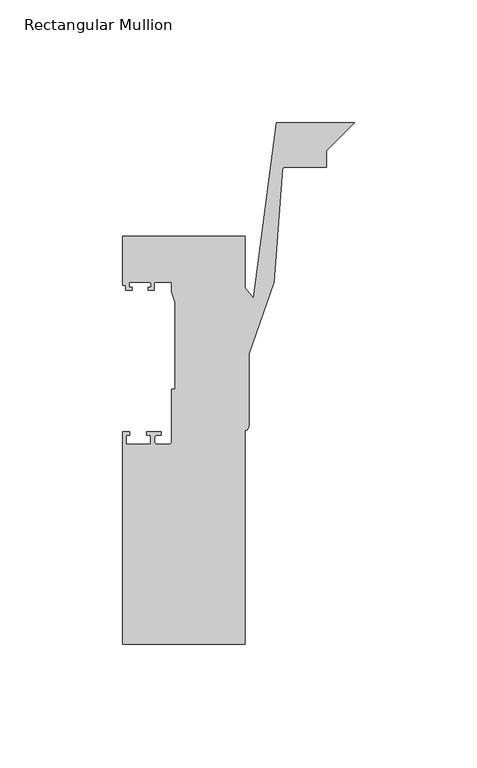
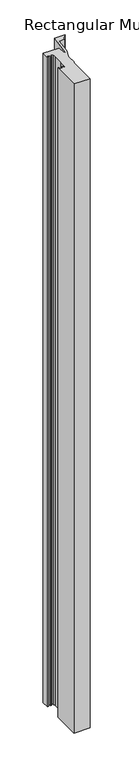
"""IFC4 building model written with IfcOpenShell, lengths in millimetres: member geometry, Rectangular Mullion."""

from ifc_helpers import new_model, si_unit, point, frame, frame_2d, origin, place, context, project, spatial, polyline, circle_curve, trimmed, segment, composite_curve, outline, extrude, source, transform, mapped, element, save


def rectangular_mullion_05a17a6f(model_context):
    return source(origin(), model_context, "Body", "SweptSolid", [
        extrude(outline(composite_curve([segment(polyline([(-94.5062525, -74.0), (-94.5062525, 12.5), (-91.7062525, 12.5), (-91.7062525, 11.2), (-93.0062525, 11.2), (-93.0062525, 7.5), (-83.0062525, 7.5), (-83.0062525, 11.2), (-84.7062525, 11.2), (-84.7062525, 12.5), (-78.9062525, 12.5), (-78.9062525, 11.2), (-80.5062525, 11.2)]), True, "CONTINUOUS"), segment(trimmed(circle_curve(frame_2d((-80.5062525, 10.2)), 1.0), [point((-80.5062525, 11.2))], [point((-81.5062525, 10.2))], True, "CARTESIAN"), True, "CONTINUOUS"), segment(polyline([(-81.5062525, 10.2), (-81.5062525, 8.5)]), True, "CONTINUOUS"), segment(trimmed(circle_curve(frame_2d((-80.5062525, 8.5)), 1.0), [point((-81.5062525, 8.5))], [point((-80.5062525, 7.5))], True, "CARTESIAN"), True, "CONTINUOUS"), segment(polyline([(-80.5062525, 7.5), (-75.5062525, 7.5)]), True, "CONTINUOUS"), segment(trimmed(circle_curve(frame_2d((-75.5062525, 8.5)), 1.0), [point((-75.5062525, 7.5))], [point((-74.5062525, 8.5))], True, "CARTESIAN"), True, "CONTINUOUS"), segment(polyline([(-74.5062525, 8.5), (-74.5062525, 30.0), (-73.2062525, 30.0), (-73.2062525, 65.3046824), (-74.5062525, 69.6597214), (-74.5062525, 73.5), (-81.1562525, 73.5)]), True, "CONTINUOUS"), segment(trimmed(circle_curve(frame_2d((-81.1562525, 73.0)), 0.5), [point((-81.1562525, 73.5))], [point((-81.6562525, 73.0))], True, "CARTESIAN"), True, "CONTINUOUS"), segment(polyline([(-81.6562525, 73.0), (-81.6562525, 70.3), (-84.0562525, 70.3), (-84.0562525, 71.5), (-82.9562525, 71.5), (-82.9562525, 73.0)]), True, "CONTINUOUS"), segment(trimmed(circle_curve(frame_2d((-83.4562525, 73.0)), 0.5), [point((-82.9562525, 73.0))], [point((-83.4562525, 73.5))], True, "CARTESIAN"), True, "CONTINUOUS"), segment(polyline([(-83.4562525, 73.5), (-91.4562525, 73.5)]), True, "CONTINUOUS"), segment(trimmed(circle_curve(frame_2d((-91.4562525, 73.0)), 0.5), [point((-91.4562525, 73.5))], [point((-91.9562525, 73.0))], True, "CARTESIAN"), True, "CONTINUOUS"), segment(polyline([(-91.9562525, 73.0), (-91.9562525, 71.5), (-90.5562525, 71.5), (-90.5562525, 70.3), (-93.2562525, 70.3), (-93.2562525, 72.3), (-94.5062525, 72.3), (-94.5062525, 92.3), (-44.5062525, 92.3), (-44.5062525, 71.1838655), (-41.2003435, 66.9373509), (-31.8621864, 138.4797109), (0.0, 138.4797109), (-11.4888818, 126.9908291), (-11.4888818, 120.3993096), (-28.3157367, 120.3993096)]), True, "CONTINUOUS"), segment(trimmed(circle_curve(frame_2d((-28.3157367, 119.3993096)), 1.0), [point((-28.3157367, 120.3993096))], [point((-29.3128462, 119.475288))], True, "CARTESIAN"), True, "CONTINUOUS"), segment(polyline([(-29.3128462, 119.475288), (-32.81225, 73.550518), (-42.8851794, 44.3941788), (-42.8851794, 15.3107278)]), True, "CONTINUOUS"), segment(trimmed(circle_curve(frame_2d((-45.3851794, 15.3107278)), 2.5), [point((-42.8851794, 15.3107278))], [point((-44.5062525, 12.9703245))], False, "CARTESIAN"), True, "CONTINUOUS"), segment(polyline([(-44.5062525, 12.9703245), (-44.5062525, -74.0), (-94.5062525, -74.0)]), True, "CONTINUOUS")], self_intersect=False)), frame((0.0, 0.0, -2150.0), z_axis=(0.0, 0.0, 1.0), x_axis=(1.0, 0.0, 0.0)), (0.0, 0.0, 1.0), 2150.0),
    ])


if __name__ == "__main__":
    model = new_model("IFC4")
    model_context = context("Model", 3, world=origin())
    ifc_project = project(units=[si_unit("LENGTHUNIT", "METRE", prefix="MILLI")], contexts=[model_context])
    site = spatial("IfcSite", under=ifc_project)
    building = spatial("IfcBuilding", under=site)
    placement = place(None, origin())
    rectangular_mullion_shape = rectangular_mullion_05a17a6f(model_context)
    element("IfcMember", 1, ObjectType="Rectangular Mullion", at=placement, inside=building, context=model_context, shape_type="MappedRepresentation", body=[
        mapped(rectangular_mullion_shape, transform((0.0, 0.0, 0.0), x_axis=(1.0, 0.0, 0.0), y_axis=(0.0, 1.0, 0.0), z_axis=(0.0, 0.0, 1.0))),
    ])
    save(model, "model.ifc")
